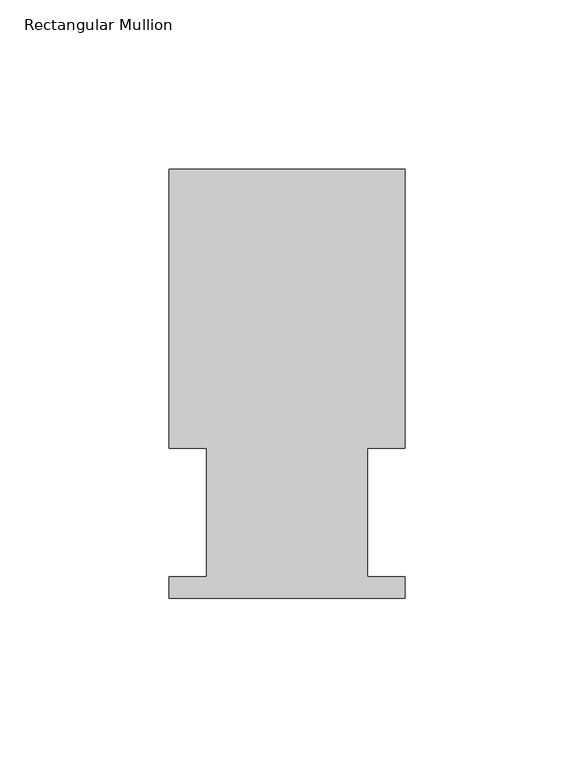
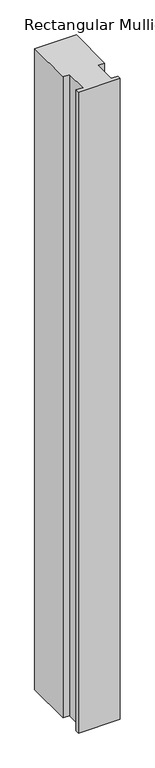
"""IFC4 building model written with IfcOpenShell, lengths in millimetres: member geometry, Rectangular Mullion."""

from ifc_helpers import new_model, si_unit, frame, origin, place, context, project, spatial, polyline, outline, extrude, source, transform, mapped, element, save


def rectangular_mullion_8b1dff07(model_context):
    return source(origin(), model_context, "Body", "SweptSolid", [
        extrude(outline(polyline([(34.925, 127.0), (34.925, 44.45), (23.8125, 44.45), (23.8125, 6.35), (34.925, 6.35), (34.925, 0.0), (-34.925, 0.0), (-34.925, 6.35), (-23.8125, 6.35), (-23.8125, 44.45), (-34.925, 44.45), (-34.925, 127.0), (34.925, 127.0)])), frame((0.0, 0.0, -1136.6495636), z_axis=(0.0, 0.0, 1.0), x_axis=(1.0, 0.0, 0.0)), (0.0, 0.0, 1.0), 1136.6495636),
    ])


if __name__ == "__main__":
    model = new_model("IFC4")
    model_context = context("Model", 3, world=origin())
    ifc_project = project(units=[si_unit("LENGTHUNIT", "METRE", prefix="MILLI")], contexts=[model_context])
    site = spatial("IfcSite", under=ifc_project)
    building = spatial("IfcBuilding", under=site)
    placement = place(None, origin())
    rectangular_mullion_shape = rectangular_mullion_8b1dff07(model_context)
    element("IfcMember", 1, ObjectType="Rectangular Mullion", at=placement, inside=building, context=model_context, shape_type="MappedRepresentation", body=[
        mapped(rectangular_mullion_shape, transform((0.0, 0.0, 0.0), x_axis=(1.0, 0.0, 0.0), y_axis=(0.0, 1.0, 0.0), z_axis=(0.0, 0.0, 1.0))),
    ])
    save(model, "model.ifc")
